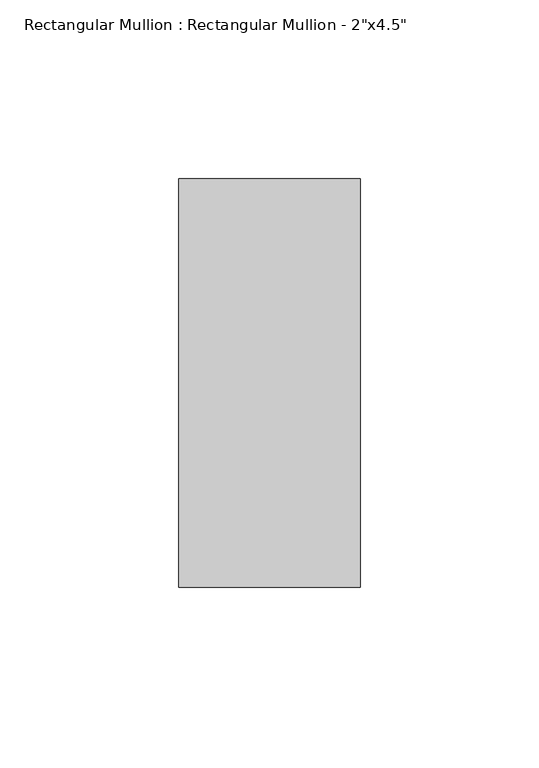
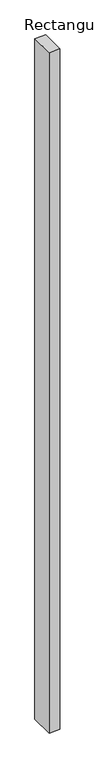
"""IFC4 building model written with IfcOpenShell, lengths in millimetres: member geometry."""

from ifc_helpers import new_model, si_unit, frame, origin, place, context, project, spatial, polyline, outline, extrude, source, transform, mapped, element, save


def member_90fcfa8b(model_context):
    return source(origin(), model_context, "Body", "SweptSolid", [
        extrude(outline(polyline([(25.4, 57.15), (25.4, -57.15), (-25.4, -57.15), (-25.4, 57.15), (25.4, 57.15)])), frame((0.0, 0.0, -3352.8), z_axis=(0.0, 0.0, 1.0), x_axis=(1.0, 0.0, 0.0)), (0.0, 0.0, 1.0), 3352.8),
    ])


if __name__ == "__main__":
    model = new_model("IFC4")
    model_context = context("Model", 3, world=origin())
    ifc_project = project(units=[si_unit("LENGTHUNIT", "METRE", prefix="MILLI")], contexts=[model_context])
    site = spatial("IfcSite", under=ifc_project)
    building = spatial("IfcBuilding", under=site)
    placement = place(None, origin())
    member_shape = member_90fcfa8b(model_context)
    element("IfcMember", 1, ObjectType="Rectangular Mullion : Rectangular Mullion - 2\"x4.5\"", at=placement, inside=building, context=model_context, shape_type="MappedRepresentation", body=[
        mapped(member_shape, transform((0.0, 0.0, 0.0), x_axis=(1.0, 0.0, 0.0), y_axis=(0.0, 1.0, 0.0), z_axis=(0.0, 0.0, 1.0))),
    ])
    save(model, "model.ifc")
